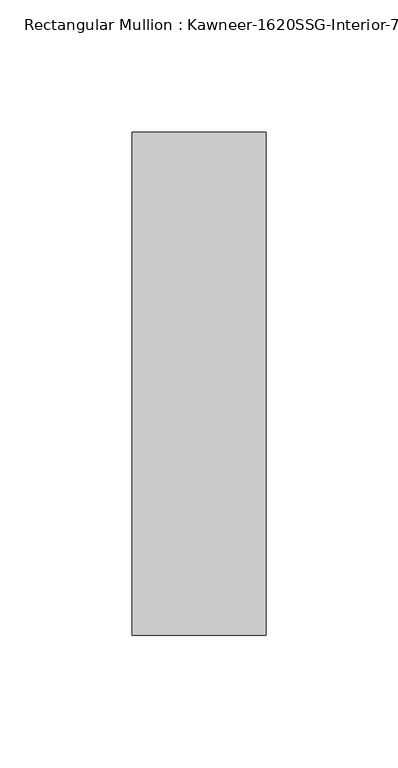
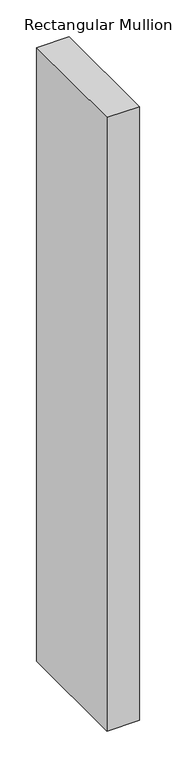
"""IFC4 building model written with IfcOpenShell, lengths in millimetres: member geometry."""

from ifc_helpers import new_model, si_unit, frame, origin, place, context, project, spatial, polyline, outline, extrude, source, transform, mapped, element, save


def member_a82ed174(model_context):
    return source(origin(), model_context, "Body", "SweptSolid", [
        extrude(outline(polyline([(25.4, -152.4), (-25.4, -152.4), (-25.4, 38.1), (25.4, 38.1), (25.4, -152.4)])), frame((0.0, 0.0, -1016.0), z_axis=(0.0, 0.0, 1.0), x_axis=(1.0, 0.0, 0.0)), (0.0, 0.0, 1.0), 1016.0),
    ])


if __name__ == "__main__":
    model = new_model("IFC4")
    model_context = context("Model", 3, world=origin())
    ifc_project = project(units=[si_unit("LENGTHUNIT", "METRE", prefix="MILLI")], contexts=[model_context])
    site = spatial("IfcSite", under=ifc_project)
    building = spatial("IfcBuilding", under=site)
    placement = place(None, origin())
    member_shape = member_a82ed174(model_context)
    element("IfcMember", 1, ObjectType="Rectangular Mullion : Kawneer-1620SSG-Interior-7.5\"-1\"Infill", at=placement, inside=building, context=model_context, shape_type="MappedRepresentation", body=[
        mapped(member_shape, transform((0.0, 0.0, 0.0), x_axis=(1.0, 0.0, 0.0), y_axis=(0.0, 1.0, 0.0), z_axis=(0.0, 0.0, 1.0))),
    ])
    save(model, "model.ifc")
